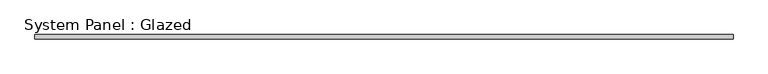
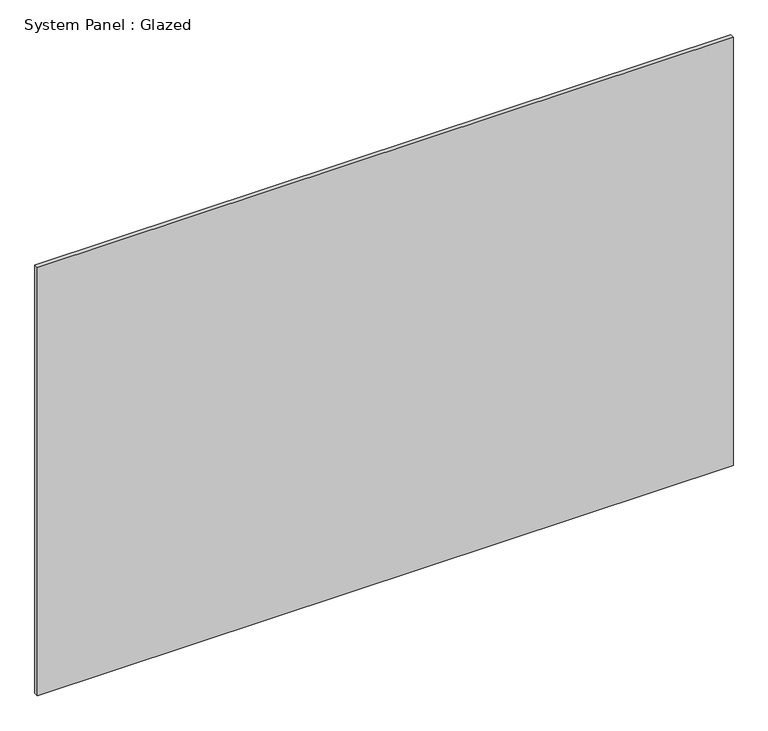
"""IFC4 building model written with IfcOpenShell, lengths in millimetres: plate geometry, System Panel : Glazed."""

from ifc_helpers import new_model, si_unit, origin, origin_with_axes, place, context, project, spatial, polyline, outline, extrude, source, transform, mapped, element, save


def system_panel_glazed_2c35da15(model_context):
    return source(origin(), model_context, "Body", "SweptSolid", [
        extrude(outline(polyline([(2065.589182, 24.5), (-2065.589182, 24.5), (-2065.589182, 49.5), (2065.589182, 49.5), (2065.589182, 24.5)])), origin_with_axes(), (0.0, 0.0, 1.0), 2690.0),
    ])


if __name__ == "__main__":
    model = new_model("IFC4")
    model_context = context("Model", 3, world=origin())
    ifc_project = project(units=[si_unit("LENGTHUNIT", "METRE", prefix="MILLI")], contexts=[model_context])
    site = spatial("IfcSite", under=ifc_project)
    building = spatial("IfcBuilding", under=site)
    placement = place(None, origin())
    system_panel_glazed_shape = system_panel_glazed_2c35da15(model_context)
    element("IfcPlate", 1, ObjectType="System Panel : Glazed", at=placement, inside=building, context=model_context, shape_type="MappedRepresentation", body=[
        mapped(system_panel_glazed_shape, transform((0.0, 0.0, 0.0), x_axis=(1.0, 0.0, 0.0), y_axis=(0.0, 1.0, 0.0), z_axis=(0.0, 0.0, 1.0))),
    ])
    save(model, "model.ifc")
